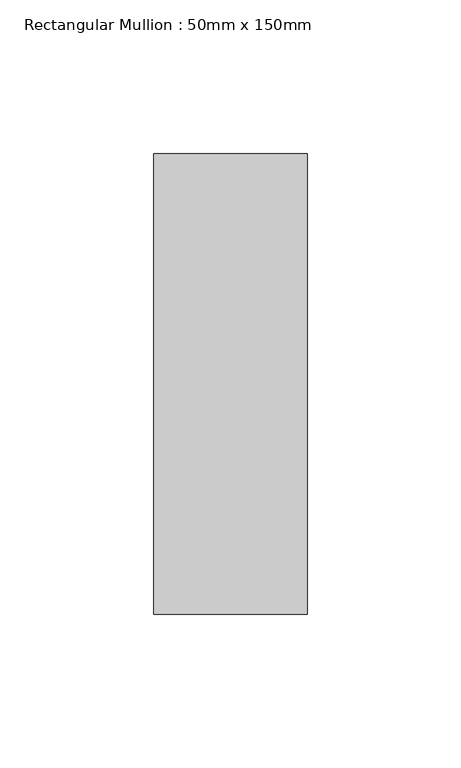
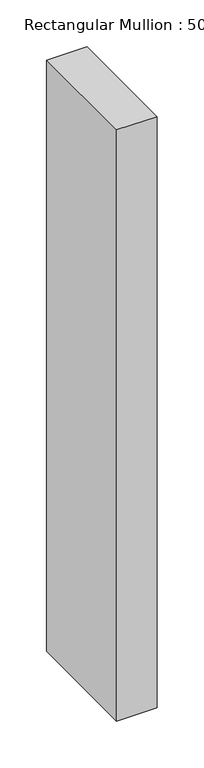
"""IFC4 building model written with IfcOpenShell, lengths in millimetres: member geometry, Rectangular Mullion : 50mm x 150mm."""

import ifcopenshell
import ifcopenshell.guid

model = None  # the IFC model being written
_history = None  # IfcOwnerHistory: only IFC2X3 demands one
_inside = {}  # id of a spatial element -> (the spatial element, [elements in it])
_under = {}  # id of a project, library or spatial element -> (it, [spatial elements below it])
_declared = {}  # id of a project -> (the project, [libraries it declares])
_typed = {}  # id of a type object -> (the type object, [elements of that type])
_made_of = {}  # id of a material, layer set ... -> (it, [elements and type objects made of it])


def new_model(schema):
    """Start an empty IFC model of exactly this schema.

    Asked for "IFC4X3", IfcOpenShell would pick the latest addendum, in which some entities
    have other attributes; the version numbers below select the first issue.
    IFC2X3 requires an IfcOwnerHistory on every rooted entity: one is made here for all.
    """
    global model, _history
    if schema == "IFC4X3":
        model = ifcopenshell.file(schema_version=(4, 3, 0, 0))
    else:
        model = ifcopenshell.file(schema=schema)
    _inside.clear()
    _under.clear()
    _declared.clear()
    _typed.clear()
    _made_of.clear()
    _history = None
    if model.schema == "IFC2X3":
        org = make("IfcOrganization", Name="unknown")
        user = make(
            "IfcPersonAndOrganization",
            ThePerson=make("IfcPerson", FamilyName="unknown"),
            TheOrganization=org,
        )
        app = make(
            "IfcApplication",
            ApplicationDeveloper=org,
            Version="unknown",
            ApplicationFullName="unknown",
            ApplicationIdentifier="unknown",
        )
        _history = make(
            "IfcOwnerHistory",
            OwningUser=user,
            OwningApplication=app,
            ChangeAction="ADDED",
            CreationDate=0,
        )
    return model


def make(cls, **values):
    """One entity of the class cls with the attributes given. An attribute that is None is left unset."""
    return model.create_entity(
        cls, **{name: value for name, value in values.items() if value is not None}
    )


def rooted(cls, **values):
    """An entity with a GlobalId (a new one), such as an element, a storey or a relation."""
    return make(cls, GlobalId=ifcopenshell.guid.new(), OwnerHistory=_history, **values)


def si_unit(unit_type, name, prefix=None):
    """IfcSIUnit, for example si_unit("LENGTHUNIT", "METRE", prefix="MILLI")."""
    return make("IfcSIUnit", UnitType=unit_type, Prefix=prefix, Name=name)


def assignment(units):
    """IfcUnitAssignment: the units of a project."""
    return None if units is None else make("IfcUnitAssignment", Units=units)


def point(xyz):
    """IfcCartesianPoint."""
    return None if xyz is None else make("IfcCartesianPoint", Coordinates=xyz)


def direction(xyz):
    """IfcDirection."""
    return None if xyz is None else make("IfcDirection", DirectionRatios=xyz)


def frame(location, z_axis=None, x_axis=None):
    """IfcAxis2Placement3D, a coordinate frame: its origin and axes. An axis left out is left unset."""
    return make(
        "IfcAxis2Placement3D",
        Location=point(location),
        Axis=direction(z_axis),
        RefDirection=direction(x_axis),
    )


def origin():
    """The frame at (0, 0, 0) with its axes left unset."""
    return frame((0.0, 0.0, 0.0))


def place(relative_to, where):
    """IfcLocalPlacement: puts the frame where relative to a parent placement (None: the world)."""
    return make(
        "IfcLocalPlacement", PlacementRelTo=relative_to, RelativePlacement=where
    )


def context(
    kind, dimensions, precision=None, world=None, true_north=None, identifier=None
):
    """IfcGeometricRepresentationContext, for example the 3D "Model" context."""
    return make(
        "IfcGeometricRepresentationContext",
        ContextIdentifier=identifier,
        ContextType=kind,
        CoordinateSpaceDimension=dimensions,
        Precision=precision,
        WorldCoordinateSystem=world,
        TrueNorth=true_north,
    )


def project(units=None, contexts=None):
    """IfcProject with its units and contexts."""
    return rooted(
        "IfcProject",
        Name="project",
        RepresentationContexts=contexts,
        UnitsInContext=assignment(units),
    )


def spatial(cls, under=None, at=None, **own):
    """A site, building, storey or space (cls), placed at a placement, below another one or the project."""
    s = rooted(cls, ObjectPlacement=at, **own)
    if under is not None:
        _under.setdefault(under.id(), (under, []))[1].append(s)
    return s


def polyline(points):
    """IfcPolyline through the points."""
    return make("IfcPolyline", Points=[point(p) for p in points])


def outline(outer, holes=None, kind="AREA"):
    """IfcArbitraryClosedProfileDef: a profile drawn as a closed curve; with holes, ...WithVoids."""
    if holes is None:
        return make("IfcArbitraryClosedProfileDef", ProfileType=kind, OuterCurve=outer)
    return make(
        "IfcArbitraryProfileDefWithVoids",
        ProfileType=kind,
        OuterCurve=outer,
        InnerCurves=holes,
    )


def extrude(swept, where, along, depth):
    """IfcExtrudedAreaSolid: the profile swept, set in the frame where, extruded along a direction by depth."""
    return make(
        "IfcExtrudedAreaSolid",
        SweptArea=swept,
        Position=where,
        ExtrudedDirection=direction(along),
        Depth=depth,
    )


def shape(context_of_items, identifier, shape_type, items):
    """IfcShapeRepresentation: the items that make up one representation, for example the "Body"."""
    return make(
        "IfcShapeRepresentation",
        ContextOfItems=context_of_items,
        RepresentationIdentifier=identifier,
        RepresentationType=shape_type,
        Items=items,
    )


def source(mapping_origin, context_of_items, identifier, shape_type, items):
    """IfcRepresentationMap: a shape defined once, which mapped items show again and again."""
    return make(
        "IfcRepresentationMap",
        MappingOrigin=mapping_origin,
        MappedRepresentation=shape(context_of_items, identifier, shape_type, items),
    )


def transform(
    local_origin,
    x_axis=None,
    y_axis=None,
    z_axis=None,
    scale=None,
    scale2=None,
    scale3=None,
    uniform=True,
):
    """IfcCartesianTransformationOperator3D, or its non-uniform kind. x_axis, y_axis, z_axis: its Axis1, 2, 3."""
    if uniform:
        return make(
            "IfcCartesianTransformationOperator3D",
            Axis1=direction(x_axis),
            Axis2=direction(y_axis),
            LocalOrigin=point(local_origin),
            Scale=scale,
            Axis3=direction(z_axis),
        )
    return make(
        "IfcCartesianTransformationOperator3DnonUniform",
        Axis1=direction(x_axis),
        Axis2=direction(y_axis),
        LocalOrigin=point(local_origin),
        Scale=scale,
        Axis3=direction(z_axis),
        Scale2=scale2,
        Scale3=scale3,
    )


def mapped(mapping_source, mapping_target):
    """IfcMappedItem: shows the shape of a source again, moved by a transform."""
    return make(
        "IfcMappedItem", MappingSource=mapping_source, MappingTarget=mapping_target
    )


def made_of(thing, what):
    """Note that an element or type object is made of a material, layer set ...; save() writes the relation."""
    if what is not None:
        _made_of.setdefault(what.id(), (what, []))[1].append(thing)
    return thing


def element(
    cls,
    number,
    at=None,
    inside=None,
    cuts=None,
    type_object=None,
    material=None,
    context=None,
    identifier="Body",
    shape_type=None,
    held_by="IfcProductDefinitionShape",
    body=None,
    shapes=None,
    **own,
):
    """One element of the class cls, such as IfcWall. Its Tag is "e" and its number.

    at: its placement. inside: the storey or other place that contains it. cuts: it is an
    opening in that element (IfcRelVoidsElement). A single representation is given by context,
    identifier, shape_type and body (its items); several are given by shapes. held_by: the class
    of the entity that holds the representations. save() writes the other relations.
    """
    e = rooted(cls, Tag="e%d" % number, ObjectPlacement=at, **own)
    if body is not None:
        shapes = [shape(context, identifier, shape_type, body)]
    if shapes is not None:
        e.Representation = make(held_by, Representations=shapes)
    if inside is not None:
        _inside.setdefault(inside.id(), (inside, []))[1].append(e)
    if cuts is not None:
        rooted(
            "IfcRelVoidsElement", RelatingBuildingElement=cuts, RelatedOpeningElement=e
        )
    if type_object is not None:
        _typed.setdefault(type_object.id(), (type_object, []))[1].append(e)
    return made_of(e, material)


def aggregate(whole, parts):
    """IfcRelAggregates: a whole, such as a stair, and the parts it consists of."""
    return rooted("IfcRelAggregates", RelatingObject=whole, RelatedObjects=parts)


def save(model, path):
    """Write the relations noted so far, then the file.

    IfcRelAggregates (storeys below a building ...), IfcRelContainedInSpatialStructure (elements
    in a storey), IfcRelDefinesByType, IfcRelAssociatesMaterial and IfcRelDeclares: one each for
    every whole, place, type object, material and project.
    """
    for whole, parts in _under.values():
        aggregate(whole, parts)
    for where, things in _inside.values():
        rooted(
            "IfcRelContainedInSpatialStructure",
            RelatedElements=things,
            RelatingStructure=where,
        )
    for kind, things in _typed.values():
        rooted("IfcRelDefinesByType", RelatedObjects=things, RelatingType=kind)
    for what, things in _made_of.values():
        rooted("IfcRelAssociatesMaterial", RelatedObjects=things, RelatingMaterial=what)
    for by, libraries in _declared.values():
        rooted("IfcRelDeclares", RelatingContext=by, RelatedDefinitions=libraries)
    model.write(path)


def rectangular_mullion_50mm_x_150mm_23f3c02e(model_context):
    return source(origin(), model_context, "Body", "SweptSolid", [
        extrude(outline(polyline([(0.0, 75.0), (0.0, -75.0), (-50.0, -75.0), (-50.0, 75.0), (0.0, 75.0)])), frame((0.0, 0.0, -771.4285714), z_axis=(0.0, 0.0, 1.0), x_axis=(1.0, 0.0, 0.0)), (0.0, 0.0, 1.0), 771.4285714),
    ])


if __name__ == "__main__":
    model = new_model("IFC4")
    model_context = context("Model", 3, world=origin())
    ifc_project = project(units=[si_unit("LENGTHUNIT", "METRE", prefix="MILLI")], contexts=[model_context])
    site = spatial("IfcSite", under=ifc_project)
    building = spatial("IfcBuilding", under=site)
    placement = place(None, origin())
    rectangular_mullion_50mm_x_150mm_shape = rectangular_mullion_50mm_x_150mm_23f3c02e(model_context)
    element("IfcMember", 1, ObjectType="Rectangular Mullion : 50mm x 150mm", at=placement, inside=building, context=model_context, shape_type="MappedRepresentation", body=[
        mapped(rectangular_mullion_50mm_x_150mm_shape, transform((0.0, 0.0, 0.0), x_axis=(1.0, 0.0, 0.0), y_axis=(0.0, 1.0, 0.0), z_axis=(0.0, 0.0, 1.0))),
    ])
    save(model, "model.ifc")
